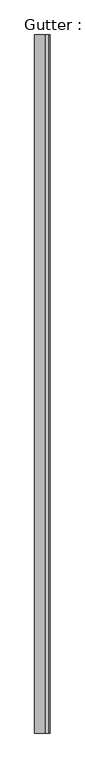
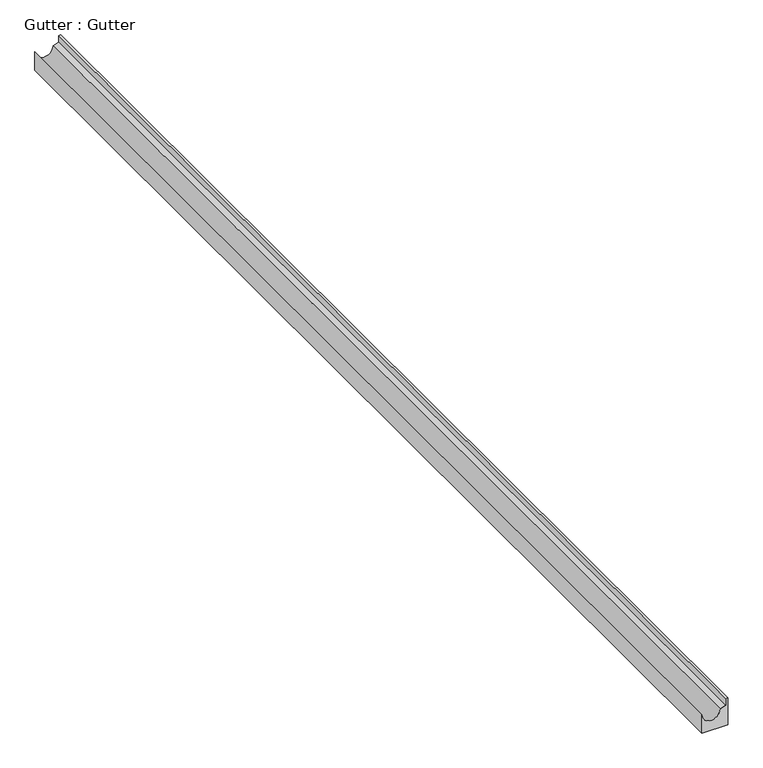
"""IFC4 building model written with IfcOpenShell, lengths in millimetres: proxy geometry, Gutter : Gutter."""

from ifc_helpers import new_model, si_unit, point, frame, frame_2d, origin, place, context, project, spatial, polyline, circle_curve, trimmed, segment, composite_curve, outline, extrude, source, transform, mapped, element, save


def gutter_gutter_9fd3a766(model_context):
    return source(origin(), model_context, "Body", "SweptSolid", [
        extrude(outline(composite_curve([segment(trimmed(circle_curve(frame_2d((3127.0234275, 3324.1200553)), 55.0), [point((3127.0234275, 3379.1200553))], [point((3127.0234275, 3269.1200553))], True, "CARTESIAN"), True, "CONTINUOUS"), segment(polyline([(3127.0234275, 3269.1200553), (3010.0, 3269.1200553), (3010.0, 3425.1825553), (3180.0, 3425.1825553), (3180.0, 3413.1825553), (3138.0910047, 3413.1825553), (3127.0234275, 3379.1200553)]), True, "CONTINUOUS")], self_intersect=False)), frame((0.0, 2058.5886328, 0.0), z_axis=(0.0, 1.0, 0.0), x_axis=(0.0, 0.0, 1.0)), (0.0, 0.0, 1.0), 7000.0),
    ])


if __name__ == "__main__":
    model = new_model("IFC4")
    model_context = context("Model", 3, world=origin())
    ifc_project = project(units=[si_unit("LENGTHUNIT", "METRE", prefix="MILLI")], contexts=[model_context])
    site = spatial("IfcSite", under=ifc_project)
    building = spatial("IfcBuilding", under=site)
    placement = place(None, origin())
    gutter_gutter_shape = gutter_gutter_9fd3a766(model_context)
    element("IfcBuildingElementProxy", 1, Name="Gutter : Gutter", ObjectType="Gutter : Gutter", at=placement, inside=building, context=model_context, shape_type="MappedRepresentation", body=[
        mapped(gutter_gutter_shape, transform((0.0, 0.0, 0.0), x_axis=(1.0, 0.0, 0.0), y_axis=(0.0, 1.0, 0.0), z_axis=(0.0, 0.0, 1.0))),
    ])
    save(model, "model.ifc")
